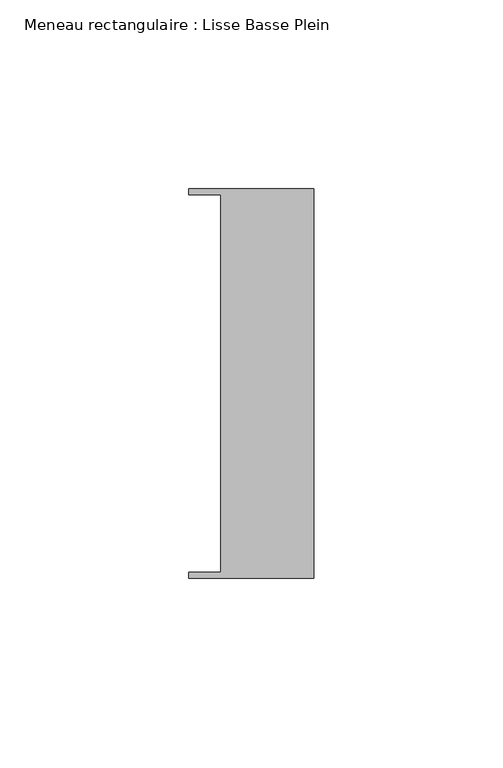
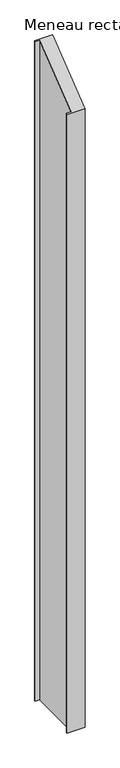
"""IFC4 building model written with IfcOpenShell, lengths in millimetres: member geometry, Meneau rectangulaire : Lisse Basse Plein."""

import ifcopenshell
import ifcopenshell.guid

model = None  # the IFC model being written
_history = None  # IfcOwnerHistory: only IFC2X3 demands one
_inside = {}  # id of a spatial element -> (the spatial element, [elements in it])
_under = {}  # id of a project, library or spatial element -> (it, [spatial elements below it])
_declared = {}  # id of a project -> (the project, [libraries it declares])
_typed = {}  # id of a type object -> (the type object, [elements of that type])
_made_of = {}  # id of a material, layer set ... -> (it, [elements and type objects made of it])


def new_model(schema):
    """Start an empty IFC model of exactly this schema.

    Asked for "IFC4X3", IfcOpenShell would pick the latest addendum, in which some entities
    have other attributes; the version numbers below select the first issue.
    IFC2X3 requires an IfcOwnerHistory on every rooted entity: one is made here for all.
    """
    global model, _history
    if schema == "IFC4X3":
        model = ifcopenshell.file(schema_version=(4, 3, 0, 0))
    else:
        model = ifcopenshell.file(schema=schema)
    _inside.clear()
    _under.clear()
    _declared.clear()
    _typed.clear()
    _made_of.clear()
    _history = None
    if model.schema == "IFC2X3":
        org = make("IfcOrganization", Name="unknown")
        user = make(
            "IfcPersonAndOrganization",
            ThePerson=make("IfcPerson", FamilyName="unknown"),
            TheOrganization=org,
        )
        app = make(
            "IfcApplication",
            ApplicationDeveloper=org,
            Version="unknown",
            ApplicationFullName="unknown",
            ApplicationIdentifier="unknown",
        )
        _history = make(
            "IfcOwnerHistory",
            OwningUser=user,
            OwningApplication=app,
            ChangeAction="ADDED",
            CreationDate=0,
        )
    return model


def make(cls, **values):
    """One entity of the class cls with the attributes given. An attribute that is None is left unset."""
    return model.create_entity(
        cls, **{name: value for name, value in values.items() if value is not None}
    )


def rooted(cls, **values):
    """An entity with a GlobalId (a new one), such as an element, a storey or a relation."""
    return make(cls, GlobalId=ifcopenshell.guid.new(), OwnerHistory=_history, **values)


def si_unit(unit_type, name, prefix=None):
    """IfcSIUnit, for example si_unit("LENGTHUNIT", "METRE", prefix="MILLI")."""
    return make("IfcSIUnit", UnitType=unit_type, Prefix=prefix, Name=name)


def assignment(units):
    """IfcUnitAssignment: the units of a project."""
    return None if units is None else make("IfcUnitAssignment", Units=units)


def point(xyz):
    """IfcCartesianPoint."""
    return None if xyz is None else make("IfcCartesianPoint", Coordinates=xyz)


def direction(xyz):
    """IfcDirection."""
    return None if xyz is None else make("IfcDirection", DirectionRatios=xyz)


def frame(location, z_axis=None, x_axis=None):
    """IfcAxis2Placement3D, a coordinate frame: its origin and axes. An axis left out is left unset."""
    return make(
        "IfcAxis2Placement3D",
        Location=point(location),
        Axis=direction(z_axis),
        RefDirection=direction(x_axis),
    )


def origin():
    """The frame at (0, 0, 0) with its axes left unset."""
    return frame((0.0, 0.0, 0.0))


def place(relative_to, where):
    """IfcLocalPlacement: puts the frame where relative to a parent placement (None: the world)."""
    return make(
        "IfcLocalPlacement", PlacementRelTo=relative_to, RelativePlacement=where
    )


def context(
    kind, dimensions, precision=None, world=None, true_north=None, identifier=None
):
    """IfcGeometricRepresentationContext, for example the 3D "Model" context."""
    return make(
        "IfcGeometricRepresentationContext",
        ContextIdentifier=identifier,
        ContextType=kind,
        CoordinateSpaceDimension=dimensions,
        Precision=precision,
        WorldCoordinateSystem=world,
        TrueNorth=true_north,
    )


def project(units=None, contexts=None):
    """IfcProject with its units and contexts."""
    return rooted(
        "IfcProject",
        Name="project",
        RepresentationContexts=contexts,
        UnitsInContext=assignment(units),
    )


def spatial(cls, under=None, at=None, **own):
    """A site, building, storey or space (cls), placed at a placement, below another one or the project."""
    s = rooted(cls, ObjectPlacement=at, **own)
    if under is not None:
        _under.setdefault(under.id(), (under, []))[1].append(s)
    return s


def faces_of(points, faces, orient=None, outer=None):
    """IfcFace entities. A face is a list of loops; a loop is a list of indices into points, from 0.

    orient and outer hold one flag for each loop. By default every Orientation is true, the
    first loop of a face is its IfcFaceOuterBound and the others are IfcFaceBound.
    """
    made = []
    for i, loops in enumerate(faces):
        bounds = []
        for j, loop in enumerate(loops):
            is_outer = j == 0 if outer is None else outer[i][j]
            bounds.append(
                make(
                    "IfcFaceOuterBound" if is_outer else "IfcFaceBound",
                    Bound=make("IfcPolyLoop", Polygon=[points[k] for k in loop]),
                    Orientation=True if orient is None else orient[i][j],
                )
            )
        made.append(make("IfcFace", Bounds=bounds))
    return made


def faceted_brep(points, faces, orient=None, outer=None, voids=None):
    """IfcFacetedBrep: a solid bounded by flat faces; with voids (closed shells), ...WithVoids."""
    shared = [point(p) for p in points]
    hull = make("IfcClosedShell", CfsFaces=faces_of(shared, faces, orient, outer))
    if voids is None:
        return make("IfcFacetedBrep", Outer=hull)
    return make(
        "IfcFacetedBrepWithVoids",
        Outer=hull,
        Voids=[
            make(cls, CfsFaces=faces_of(shared, fs, o, b)) for cls, fs, o, b in voids
        ],
    )


def shape(context_of_items, identifier, shape_type, items):
    """IfcShapeRepresentation: the items that make up one representation, for example the "Body"."""
    return make(
        "IfcShapeRepresentation",
        ContextOfItems=context_of_items,
        RepresentationIdentifier=identifier,
        RepresentationType=shape_type,
        Items=items,
    )


def source(mapping_origin, context_of_items, identifier, shape_type, items):
    """IfcRepresentationMap: a shape defined once, which mapped items show again and again."""
    return make(
        "IfcRepresentationMap",
        MappingOrigin=mapping_origin,
        MappedRepresentation=shape(context_of_items, identifier, shape_type, items),
    )


def transform(
    local_origin,
    x_axis=None,
    y_axis=None,
    z_axis=None,
    scale=None,
    scale2=None,
    scale3=None,
    uniform=True,
):
    """IfcCartesianTransformationOperator3D, or its non-uniform kind. x_axis, y_axis, z_axis: its Axis1, 2, 3."""
    if uniform:
        return make(
            "IfcCartesianTransformationOperator3D",
            Axis1=direction(x_axis),
            Axis2=direction(y_axis),
            LocalOrigin=point(local_origin),
            Scale=scale,
            Axis3=direction(z_axis),
        )
    return make(
        "IfcCartesianTransformationOperator3DnonUniform",
        Axis1=direction(x_axis),
        Axis2=direction(y_axis),
        LocalOrigin=point(local_origin),
        Scale=scale,
        Axis3=direction(z_axis),
        Scale2=scale2,
        Scale3=scale3,
    )


def mapped(mapping_source, mapping_target):
    """IfcMappedItem: shows the shape of a source again, moved by a transform."""
    return make(
        "IfcMappedItem", MappingSource=mapping_source, MappingTarget=mapping_target
    )


def made_of(thing, what):
    """Note that an element or type object is made of a material, layer set ...; save() writes the relation."""
    if what is not None:
        _made_of.setdefault(what.id(), (what, []))[1].append(thing)
    return thing


def element(
    cls,
    number,
    at=None,
    inside=None,
    cuts=None,
    type_object=None,
    material=None,
    context=None,
    identifier="Body",
    shape_type=None,
    held_by="IfcProductDefinitionShape",
    body=None,
    shapes=None,
    **own,
):
    """One element of the class cls, such as IfcWall. Its Tag is "e" and its number.

    at: its placement. inside: the storey or other place that contains it. cuts: it is an
    opening in that element (IfcRelVoidsElement). A single representation is given by context,
    identifier, shape_type and body (its items); several are given by shapes. held_by: the class
    of the entity that holds the representations. save() writes the other relations.
    """
    e = rooted(cls, Tag="e%d" % number, ObjectPlacement=at, **own)
    if body is not None:
        shapes = [shape(context, identifier, shape_type, body)]
    if shapes is not None:
        e.Representation = make(held_by, Representations=shapes)
    if inside is not None:
        _inside.setdefault(inside.id(), (inside, []))[1].append(e)
    if cuts is not None:
        rooted(
            "IfcRelVoidsElement", RelatingBuildingElement=cuts, RelatedOpeningElement=e
        )
    if type_object is not None:
        _typed.setdefault(type_object.id(), (type_object, []))[1].append(e)
    return made_of(e, material)


def aggregate(whole, parts):
    """IfcRelAggregates: a whole, such as a stair, and the parts it consists of."""
    return rooted("IfcRelAggregates", RelatingObject=whole, RelatedObjects=parts)


def save(model, path):
    """Write the relations noted so far, then the file.

    IfcRelAggregates (storeys below a building ...), IfcRelContainedInSpatialStructure (elements
    in a storey), IfcRelDefinesByType, IfcRelAssociatesMaterial and IfcRelDeclares: one each for
    every whole, place, type object, material and project.
    """
    for whole, parts in _under.values():
        aggregate(whole, parts)
    for where, things in _inside.values():
        rooted(
            "IfcRelContainedInSpatialStructure",
            RelatedElements=things,
            RelatingStructure=where,
        )
    for kind, things in _typed.values():
        rooted("IfcRelDefinesByType", RelatedObjects=things, RelatingType=kind)
    for what, things in _made_of.values():
        rooted("IfcRelAssociatesMaterial", RelatedObjects=things, RelatingMaterial=what)
    for by, libraries in _declared.values():
        rooted("IfcRelDeclares", RelatingContext=by, RelatedDefinitions=libraries)
    model.write(path)


def meneau_rectangulaire_lisse_basse_plein_42faa91d(model_context):
    return source(origin(), model_context, "Body", "Brep", [
        faceted_brep([(0.0, -51.5026203, -1238.1500003), (-33.0710396, -51.5026203, -1238.1500003), (-33.0710396, -49.9505686, -1238.1500003), (-24.7130865, -49.9505686, -1238.1500003), (-24.7130865, 49.9505686, -1238.1500003), (-33.0710396, 49.9505686, -1238.1500003), (-33.0710396, 51.5026203, -1238.1500003), (0.0, 51.5026203, -1238.1500003), (0.0, 51.5026203, 40.1575848), (0.0, -51.5026203, -40.1575848), (-33.0710396, 51.5026203, 40.1575848), (-33.0710396, 49.9505686, 38.9474202), (-24.7130865, 49.9505686, 38.9474202), (-24.7130865, -49.9505686, -38.9474202), (-33.0710396, -49.9505686, -38.9474202), (-33.0710396, -51.5026203, -40.1575848)], [[[0, 1, 2, 3, 4, 5, 6, 7]], [[8, 9, 0, 7]], [[10, 8, 7, 6]], [[11, 10, 6, 5]], [[12, 11, 5, 4]], [[13, 12, 4, 3]], [[14, 13, 3, 2]], [[15, 14, 2, 1]], [[9, 15, 1, 0]], [[9, 8, 10, 11, 12, 13, 14, 15]]]),
    ])


if __name__ == "__main__":
    model = new_model("IFC4")
    model_context = context("Model", 3, world=origin())
    ifc_project = project(units=[si_unit("LENGTHUNIT", "METRE", prefix="MILLI")], contexts=[model_context])
    site = spatial("IfcSite", under=ifc_project)
    building = spatial("IfcBuilding", under=site)
    placement = place(None, origin())
    meneau_rectangulaire_lisse_basse_plein_shape = meneau_rectangulaire_lisse_basse_plein_42faa91d(model_context)
    element("IfcMember", 1, ObjectType="Meneau rectangulaire : Lisse Basse Plein", at=placement, inside=building, context=model_context, shape_type="MappedRepresentation", body=[
        mapped(meneau_rectangulaire_lisse_basse_plein_shape, transform((0.0, 0.0, 0.0), x_axis=(1.0, 0.0, 0.0), y_axis=(0.0, 1.0, 0.0), z_axis=(0.0, 0.0, 1.0))),
    ])
    save(model, "model.ifc")
